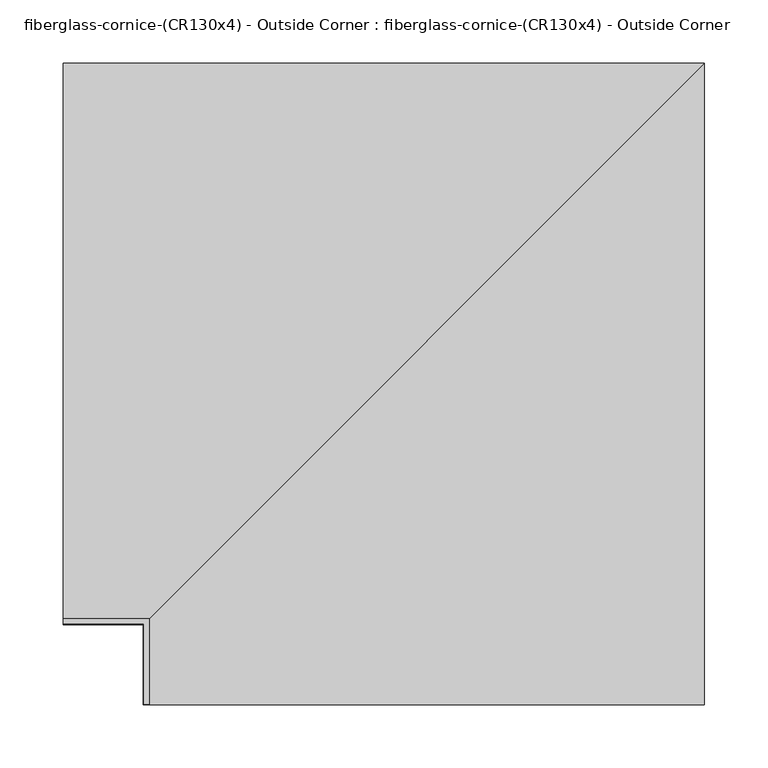
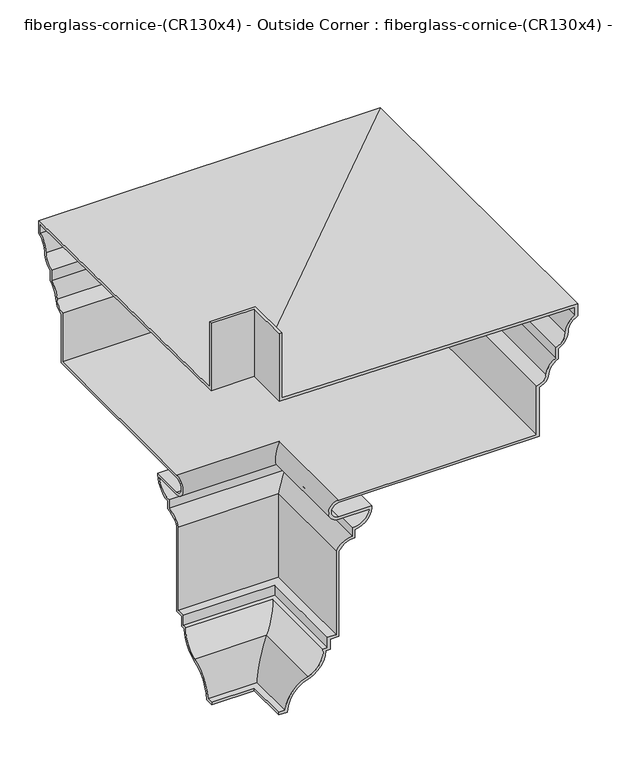
"""IFC4 building model written with IfcOpenShell, lengths in millimetres: furniture geometry, fiberglass-cornice-(CR130x4) - Outside Corner : fiberglass-cornice-(CR130x4) - Outside Corner."""

from ifc_helpers import new_model, si_unit, frame, origin, place, context, project, spatial, polyline, circle_curve, ellipse_curve, source, transform, mapped, element, save
from ifc_brep_helpers import plane_surface, cylinder_surface, revolved_surface, advanced_brep


def fiberglass_cornice_cr130x4_outside_corner_fiberglass_cornice_068e093c(model_context):
    return source(origin(), model_context, "Body", "AdvancedBrep", [
        advanced_brep(
        [(-196.9488213, 105.7275024, 330.1999904), (-196.9488213, 105.7275024, 228.5999991), (-196.9488213, 543.8774613, 222.2500183), (-196.9488213, 543.8774613, 203.1999994), (-196.9488213, 529.6672188, 183.350913), (-196.9488213, 515.3024879, 161.9250108), (-196.9488213, 515.3024879, 146.0500094), (-196.9488213, 500.8778386, 127.4585598), (-196.9488213, 486.7274848, 111.1250069), (-196.9488213, 486.7274848, 34.9250175), (-196.9488213, 189.8658461, 34.9250175), (-196.9488213, 189.8645185, 12.3564936), (-196.9488213, 239.0774575, 12.3564936), (-196.9488213, 239.0774575, 9.6389641), (-196.9488213, 213.6774746, -15.7607342), (-196.9488213, 213.6774746, -28.4607342), (-196.9488213, 189.8650018, -41.1606912), (-196.9488213, 189.8650018, -174.510736), (-196.9488213, 177.1280852, -174.510736), (-196.9488213, 177.1280852, -190.3857328), (-196.9488213, 170.7780577, -190.3857328), (-196.9488213, 145.2299147, -225.3081723), (-196.9488213, 113.6649735, -266.6999958), (-196.9488213, 100.9649721, -266.6999958), (-196.9488213, 100.9649721, -262.8010958), (-196.9488213, 110.0777458, -262.8010958), (-196.9488213, 144.0312604, -221.5980983), (-196.9488213, 166.6694049, -186.4868365), (-196.9488213, 173.2291666, -186.4868365), (-196.9488213, 173.2291666, -170.6118323), (-196.9488213, 185.9660831, -170.6118323), (-196.9488213, 185.9660831, -40.0326997), (-196.9488213, 209.778556, -24.7705052), (-196.9488213, 209.778556, -11.7644705), (-196.9488213, 235.068487, 8.457575), (-196.9488213, 189.8381696, 8.457575), (-196.9488213, 189.8374522, 38.8239063), (-196.9488213, 482.8285662, 38.8239063), (-196.9488213, 482.8285662, 114.5071158), (-196.9488213, 496.9965215, 127.8284236), (-196.9488213, 511.4035693, 148.6279828), (-196.9488213, 511.4035693, 164.5762016), (-196.9488213, 525.7718792, 183.5174989), (-196.9488213, 539.9785725, 205.7151014), (-196.9488213, 539.9785725, 218.4071876), (-196.9488213, 101.6, 224.7605132), (-196.9488213, 101.6, 330.1999904), (-129.2221002, 38.0007813, 330.1999904), (-133.3496026, 38.0007813, 330.1999904), (-133.3496026, 38.0007813, 224.7605132), (305.0289699, 38.0007813, 218.4071876), (305.0289699, 38.0007813, 205.7151014), (290.8222766, 38.0007813, 183.5174989), (276.4539667, 38.0007813, 164.5762016), (276.4539667, 38.0007813, 148.6279828), (262.0469189, 38.0007813, 127.8284236), (247.8789636, 38.0007813, 114.5071158), (247.8789636, 38.0007813, 38.8239063), (-45.1121504, 38.0007813, 38.8239063), (-45.111433, 38.0007813, 8.457575), (0.1188844, 38.0007813, 8.457575), (-25.1710466, 38.0007813, -11.7644705), (-25.1710466, 38.0007813, -24.7705052), (-48.9835195, 38.0007813, -40.0326997), (-48.9835195, 38.0007813, -170.6118323), (-61.720436, 38.0007813, -170.6118323), (-61.720436, 38.0007813, -186.4868365), (-68.2801977, 38.0007813, -186.4868365), (-90.9183422, 38.0007813, -221.5980983), (-124.8718568, 38.0007813, -262.8010958), (-133.9846305, 38.0007813, -262.8010958), (-133.9846305, 38.0007813, -266.6999958), (-121.2846291, 38.0007813, -266.6999958), (-89.7196879, 38.0007813, -225.3081723), (-64.1715449, 38.0007813, -190.3857328), (-57.8215174, 38.0007813, -190.3857328), (-57.8215174, 38.0007813, -174.510736), (-45.0846008, 38.0007813, -174.510736), (-45.0846008, 38.0007813, -41.1606912), (-21.272128, 38.0007813, -28.4607342), (-21.272128, 38.0007813, -15.7607342), (4.1278549, 38.0007813, 9.6389641), (4.1278549, 38.0007813, 12.3564936), (-45.0850841, 38.0007813, 12.3564936), (-45.0837565, 38.0007813, 34.9250175), (251.7778822, 38.0007813, 34.9250175), (251.7778822, 38.0007813, 111.1250069), (265.928236, 38.0007813, 127.4585598), (280.3528853, 38.0007813, 146.0500094), (280.3528853, 38.0007813, 161.9250108), (294.7176162, 38.0007813, 183.350913), (308.9278587, 38.0007813, 203.1999994), (308.9278587, 38.0007813, 222.2500183), (-129.2221002, 38.0007813, 228.5999991), (-129.2221002, 105.7275024, 330.1999904), (-129.2221002, 105.7275024, 228.5999991), (308.9278587, 543.8774613, 222.2500183), (308.9278587, 543.8774613, 203.1999994), (294.7176162, 529.6672188, 183.350913), (280.3528853, 515.3024879, 161.9250108), (280.3528853, 515.3024879, 146.0500094), (265.928236, 500.8778386, 127.4585598), (251.7778822, 486.7274848, 111.1250069), (251.7778822, 486.7274848, 34.9250175), (-45.0837565, 189.8658461, 34.9250175), (-45.0850841, 189.8645185, 12.3564936), (4.1278549, 239.0774575, 12.3564936), (4.1278549, 239.0774575, 9.6389641), (-21.272128, 213.6774746, -15.7607342), (-21.272128, 213.6774746, -28.4607342), (-45.0846008, 189.8650018, -41.1606912), (-45.0846008, 189.8650018, -174.510736), (-57.8215174, 177.1280852, -174.510736), (-57.8215174, 177.1280852, -190.3857328), (-64.1715449, 170.7780577, -190.3857328), (-89.7196879, 145.2299147, -225.3081723), (-121.2846291, 113.6649735, -266.6999958), (-133.9846305, 100.9649721, -266.6999958), (-133.9846305, 100.9649721, -262.8010958), (-124.8718568, 110.0777458, -262.8010958), (-90.9183422, 144.0312604, -221.5980983), (-68.2801977, 166.6694049, -186.4868365), (-61.720436, 173.2291666, -186.4868365), (-61.720436, 173.2291666, -170.6118323), (-48.9835195, 185.9660831, -170.6118323), (-48.9835195, 185.9660831, -40.0326997), (-25.1710466, 209.778556, -24.7705052), (-25.1710466, 209.778556, -11.7644705), (0.1188844, 235.068487, 8.457575), (-45.111433, 189.8381696, 8.457575), (-45.1121504, 189.8374522, 38.8239063), (247.8789636, 482.8285662, 38.8239063), (247.8789636, 482.8285662, 114.5071158), (262.0469189, 496.9965215, 127.8284236), (276.4539667, 511.4035693, 148.6279828), (276.4539667, 511.4035693, 164.5762016), (290.8222766, 525.7718792, 183.5174989), (305.0289699, 539.9785725, 205.7151014), (305.0289699, 539.9785725, 218.4071876), (-133.3496026, 101.6, 224.7605132), (-133.3496026, 101.6, 330.1999904)],
        [
            (0, 1),
            (1, 2),
            (2, 3),
            (3, 4, circle_curve(frame((-196.9488213, 551.9671941, 182.3972447), z_axis=(1.0, 0.0, 0.0), x_axis=(0.0, 1.0, 0.0)), 22.320358)),
            (4, 5, circle_curve(frame((-196.9488213, 504.9277455, 184.4089075), z_axis=(-1.0, 0.0, 0.0), x_axis=(0.0, 1.0, 0.0)), 24.7620858)),
            (5, 6),
            (6, 7, circle_curve(frame((-196.9488213, 522.7585058, 125.3734777), z_axis=(1.0, 0.0, 0.0), x_axis=(0.0, 1.0, 0.0)), 21.9797899)),
            (7, 8, circle_curve(frame((-196.9488213, 482.336386, 129.225437), z_axis=(-1.0, 0.0, 0.0), x_axis=(0.0, 1.0, 0.0)), 18.6254482)),
            (8, 9),
            (9, 10),
            (10, 11, circle_curve(frame((-196.9488213, 190.0380596, 23.6407454), z_axis=(1.0, 0.0, 0.0), x_axis=(0.0, 1.0, 0.0)), 11.2855861)),
            (11, 12),
            (12, 13),
            (13, 14, circle_curve(frame((-196.9488213, 212.2617322, 11.055007), z_axis=(-1.0, 0.0, 0.0), x_axis=(0.0, 1.0, 0.0)), 26.8530874)),
            (14, 15),
            (15, 16, circle_curve(frame((-196.9488213, 213.4432156, -56.6957195), z_axis=(1.0, 0.0, 0.0), x_axis=(0.0, 1.0, 0.0)), 28.2359571)),
            (16, 17),
            (17, 18),
            (18, 19),
            (19, 20),
            (20, 21, circle_curve(frame((-196.9488213, 133.8887534, -190.2050173), z_axis=(-1.0, 0.0, 0.0), x_axis=(0.0, 1.0, 0.0)), 36.889747)),
            (21, 22, circle_curve(frame((-196.9488213, 159.2620244, -268.7403492), z_axis=(1.0, 0.0, 0.0), x_axis=(0.0, 1.0, 0.0)), 45.6426784)),
            (22, 23),
            (23, 24),
            (24, 25),
            (25, 26, circle_curve(frame((-196.9488213, 159.2620244, -268.7403492), z_axis=(-1.0, 0.0, 0.0), x_axis=(0.0, 1.0, 0.0)), 49.5415784)),
            (26, 27, circle_curve(frame((-196.9488213, 133.8887534, -190.2050173), z_axis=(1.0, 0.0, 0.0), x_axis=(0.0, 1.0, 0.0)), 32.990847)),
            (27, 28),
            (28, 29),
            (29, 30),
            (30, 31),
            (31, 32, circle_curve(frame((-196.9488213, 213.4432156, -56.6957195), z_axis=(-1.0, 0.0, 0.0), x_axis=(0.0, 1.0, 0.0)), 32.1348571)),
            (32, 33),
            (33, 34, circle_curve(frame((-196.9488213, 212.2617322, 11.055007), z_axis=(1.0, 0.0, 0.0), x_axis=(0.0, 1.0, 0.0)), 22.9541874)),
            (34, 35),
            (35, 36, circle_curve(frame((-196.9488213, 190.0380596, 23.6407454), z_axis=(-1.0, 0.0, 0.0), x_axis=(0.0, 1.0, 0.0)), 15.1844861)),
            (36, 37),
            (37, 38),
            (38, 39, circle_curve(frame((-196.9488213, 482.336386, 129.225437), z_axis=(1.0, 0.0, 0.0), x_axis=(0.0, 1.0, 0.0)), 14.7265482)),
            (39, 40, circle_curve(frame((-196.9488213, 522.7585058, 125.3734777), z_axis=(-1.0, 0.0, 0.0), x_axis=(0.0, 1.0, 0.0)), 25.8786899)),
            (40, 41),
            (41, 42, circle_curve(frame((-196.9488213, 504.9277455, 184.4089075), z_axis=(1.0, 0.0, 0.0), x_axis=(0.0, 1.0, 0.0)), 20.8631858)),
            (42, 43, circle_curve(frame((-196.9488213, 551.9671941, 182.3972447), z_axis=(-1.0, 0.0, 0.0), x_axis=(0.0, 1.0, 0.0)), 26.219258)),
            (43, 44),
            (44, 45),
            (45, 46),
            (46, 0),
            (47, 48),
            (48, 49),
            (49, 50),
            (50, 51),
            (51, 52, circle_curve(frame((317.0175915, 38.0007813, 182.3972447), z_axis=(0.0, -1.0, 0.0), x_axis=(1.0, 0.0, 0.0)), 26.219258)),
            (52, 53, circle_curve(frame((269.9781429, 38.0007813, 184.4089075), z_axis=(0.0, 1.0, 0.0), x_axis=(1.0, 0.0, 0.0)), 20.8631858)),
            (53, 54),
            (54, 55, circle_curve(frame((287.8089032, 38.0007813, 125.3734777), z_axis=(0.0, -1.0, 0.0), x_axis=(1.0, 0.0, 0.0)), 25.8786899)),
            (55, 56, circle_curve(frame((247.3867834, 38.0007813, 129.225437), z_axis=(0.0, 1.0, 0.0), x_axis=(1.0, 0.0, 0.0)), 14.7265482)),
            (56, 57),
            (57, 58),
            (58, 59, circle_curve(frame((-44.911543, 38.0007813, 23.6407454), z_axis=(0.0, -1.0, 0.0), x_axis=(1.0, 0.0, 0.0)), 15.1844861)),
            (59, 60),
            (60, 61, circle_curve(frame((-22.6878704, 38.0007813, 11.055007), z_axis=(0.0, 1.0, 0.0), x_axis=(1.0, 0.0, 0.0)), 22.9541874)),
            (61, 62),
            (62, 63, circle_curve(frame((-21.506387, 38.0007813, -56.6957195), z_axis=(0.0, -1.0, 0.0), x_axis=(1.0, 0.0, 0.0)), 32.1348571)),
            (63, 64),
            (64, 65),
            (65, 66),
            (66, 67),
            (67, 68, circle_curve(frame((-101.0608492, 38.0007813, -190.2050173), z_axis=(0.0, 1.0, 0.0), x_axis=(1.0, 0.0, 0.0)), 32.990847)),
            (68, 69, circle_curve(frame((-75.6875782, 38.0007813, -268.7403492), z_axis=(0.0, -1.0, 0.0), x_axis=(1.0, 0.0, 0.0)), 49.5415784)),
            (69, 70),
            (70, 71),
            (71, 72),
            (72, 73, circle_curve(frame((-75.6875782, 38.0007813, -268.7403492), z_axis=(0.0, 1.0, 0.0), x_axis=(1.0, 0.0, 0.0)), 45.6426784)),
            (73, 74, circle_curve(frame((-101.0608492, 38.0007813, -190.2050173), z_axis=(0.0, -1.0, 0.0), x_axis=(1.0, 0.0, 0.0)), 36.889747)),
            (74, 75),
            (75, 76),
            (76, 77),
            (77, 78),
            (78, 79, circle_curve(frame((-21.506387, 38.0007813, -56.6957195), z_axis=(0.0, 1.0, 0.0), x_axis=(1.0, 0.0, 0.0)), 28.2359571)),
            (79, 80),
            (80, 81, circle_curve(frame((-22.6878704, 38.0007813, 11.055007), z_axis=(0.0, -1.0, 0.0), x_axis=(1.0, 0.0, 0.0)), 26.8530874)),
            (81, 82),
            (82, 83),
            (83, 84, circle_curve(frame((-44.911543, 38.0007813, 23.6407454), z_axis=(0.0, 1.0, 0.0), x_axis=(1.0, 0.0, 0.0)), 11.2855861)),
            (84, 85),
            (85, 86),
            (86, 87, circle_curve(frame((247.3867834, 38.0007813, 129.225437), z_axis=(0.0, -1.0, 0.0), x_axis=(1.0, 0.0, 0.0)), 18.6254482)),
            (87, 88, circle_curve(frame((287.8089032, 38.0007813, 125.3734777), z_axis=(0.0, 1.0, 0.0), x_axis=(1.0, 0.0, 0.0)), 21.9797899)),
            (88, 89),
            (89, 90, circle_curve(frame((269.9781429, 38.0007813, 184.4089075), z_axis=(0.0, -1.0, 0.0), x_axis=(1.0, 0.0, 0.0)), 24.7620858)),
            (90, 91, circle_curve(frame((317.0175915, 38.0007813, 182.3972447), z_axis=(0.0, 1.0, 0.0), x_axis=(1.0, 0.0, 0.0)), 22.320358)),
            (91, 92),
            (92, 93),
            (93, 47),
            (0, 94),
            (94, 95),
            (95, 1),
            (95, 96),
            (96, 2),
            (96, 97),
            (97, 3),
            (97, 98, ellipse_curve(frame((317.0175915, 551.9671941, 182.3972447), z_axis=(0.7071067811865563, -0.7071067811865387, 0.0), x_axis=(0.7071067811865387, 0.7071067811865565, 0.0)), 31.565753, 22.320358)),
            (98, 4),
            (98, 99, ellipse_curve(frame((269.9781429, 504.9277455, 184.4089075), z_axis=(-0.7071067811865563, 0.7071067811865387, 0.0), x_axis=(-0.7071067811865387, -0.7071067811865565, 0.0)), 35.0188775, 24.7620858)),
            (99, 5),
            (99, 100),
            (100, 6),
            (100, 101, ellipse_curve(frame((287.8089032, 522.7585058, 125.3734777), z_axis=(0.7071067811865563, -0.7071067811865387, 0.0), x_axis=(0.7071067811865387, 0.7071067811865565, 0.0)), 31.084117, 21.9797899)),
            (101, 7),
            (101, 102, ellipse_curve(frame((247.3867834, 482.336386, 129.225437), z_axis=(-0.7071067811865563, 0.7071067811865387, 0.0), x_axis=(-0.7071067811865387, -0.7071067811865565, 0.0)), 26.3403614, 18.6254482)),
            (102, 8),
            (102, 103),
            (103, 9),
            (103, 85),
            (84, 104),
            (104, 10),
            (104, 105, ellipse_curve(frame((-44.911543, 190.0380596, 23.6407454), z_axis=(0.7071067811865563, -0.7071067811865387, 0.0), x_axis=(0.7071067811865387, 0.7071067811865565, 0.0)), 15.960229, 11.2855861)),
            (105, 11),
            (105, 83),
            (82, 106),
            (106, 12),
            (106, 107),
            (107, 13),
            (107, 108, ellipse_curve(frame((-22.6878704, 212.2617322, 11.055007), z_axis=(-0.7071067811865563, 0.7071067811865387, 0.0), x_axis=(-0.7071067811865387, -0.7071067811865565, 0.0)), 37.9760004, 26.8530874)),
            (108, 14),
            (108, 109),
            (109, 15),
            (109, 110, ellipse_curve(frame((-21.506387, 213.4432156, -56.6957195), z_axis=(0.7071067811865563, -0.7071067811865387, 0.0), x_axis=(0.7071067811865387, 0.7071067811865565, 0.0)), 39.9316734, 28.2359571)),
            (110, 16),
            (110, 111),
            (111, 17),
            (111, 77),
            (76, 112),
            (112, 18),
            (112, 113),
            (113, 19),
            (113, 75),
            (74, 114),
            (114, 20),
            (114, 115, ellipse_curve(frame((-101.0608492, 133.8887534, -190.2050173), z_axis=(-0.7071067811865563, 0.7071067811865387, 0.0), x_axis=(-0.7071067811865387, -0.7071067811865565, 0.0)), 52.1699805, 36.889747)),
            (115, 21),
            (115, 116, ellipse_curve(frame((-75.6875782, 159.2620244, -268.7403492), z_axis=(0.7071067811865563, -0.7071067811865387, 0.0), x_axis=(0.7071067811865387, 0.7071067811865565, 0.0)), 64.5484949, 45.6426784)),
            (116, 22),
            (116, 72),
            (71, 117),
            (117, 23),
            (117, 118),
            (118, 24),
            (118, 70),
            (69, 119),
            (119, 25),
            (119, 120, ellipse_curve(frame((-75.6875782, 159.2620244, -268.7403492), z_axis=(-0.7071067811865563, 0.7071067811865387, 0.0), x_axis=(-0.7071067811865387, -0.7071067811865565, 0.0)), 70.0623721, 49.5415784)),
            (120, 26),
            (120, 121, ellipse_curve(frame((-101.0608492, 133.8887534, -190.2050173), z_axis=(0.7071067811865563, -0.7071067811865387, 0.0), x_axis=(0.7071067811865387, 0.7071067811865565, 0.0)), 46.6561032, 32.990847)),
            (121, 27),
            (121, 67),
            (66, 122),
            (122, 28),
            (122, 123),
            (123, 29),
            (123, 65),
            (64, 124),
            (124, 30),
            (124, 125),
            (125, 31),
            (125, 126, ellipse_curve(frame((-21.506387, 213.4432156, -56.6957195), z_axis=(-0.7071067811865563, 0.7071067811865387, 0.0), x_axis=(-0.7071067811865387, -0.7071067811865565, 0.0)), 45.4455507, 32.1348571)),
            (126, 32),
            (126, 127),
            (127, 33),
            (127, 128, ellipse_curve(frame((-22.6878704, 212.2617322, 11.055007), z_axis=(0.7071067811865563, -0.7071067811865387, 0.0), x_axis=(0.7071067811865387, 0.7071067811865565, 0.0)), 32.4621231, 22.9541874)),
            (128, 34),
            (128, 60),
            (59, 129),
            (129, 35),
            (129, 130, ellipse_curve(frame((-44.911543, 190.0380596, 23.6407454), z_axis=(-0.7071067811865563, 0.7071067811865387, 0.0), x_axis=(-0.7071067811865387, -0.7071067811865565, 0.0)), 21.4741062, 15.1844861)),
            (130, 36),
            (130, 58),
            (57, 131),
            (131, 37),
            (131, 132),
            (132, 38),
            (132, 133, ellipse_curve(frame((247.3867834, 482.336386, 129.225437), z_axis=(0.7071067811865563, -0.7071067811865387, 0.0), x_axis=(0.7071067811865387, 0.7071067811865565, 0.0)), 20.8264842, 14.7265482)),
            (133, 39),
            (133, 134, ellipse_curve(frame((287.8089032, 522.7585058, 125.3734777), z_axis=(-0.7071067811865563, 0.7071067811865387, 0.0), x_axis=(-0.7071067811865387, -0.7071067811865565, 0.0)), 36.5979942, 25.8786899)),
            (134, 40),
            (134, 135),
            (135, 41),
            (135, 136, ellipse_curve(frame((269.9781429, 504.9277455, 184.4089075), z_axis=(0.7071067811865563, -0.7071067811865387, 0.0), x_axis=(0.7071067811865387, 0.7071067811865565, 0.0)), 29.5050003, 20.8631858)),
            (136, 42),
            (136, 137, ellipse_curve(frame((317.0175915, 551.9671941, 182.3972447), z_axis=(-0.7071067811865563, 0.7071067811865387, 0.0), x_axis=(-0.7071067811865387, -0.7071067811865565, 0.0)), 37.0796303, 26.219258)),
            (137, 43),
            (137, 138),
            (138, 44),
            (138, 139),
            (139, 45),
            (139, 140),
            (140, 46),
            (140, 48),
            (47, 94),
            (93, 95),
            (92, 96),
            (91, 97),
            (90, 98),
            (89, 99),
            (88, 100),
            (87, 101),
            (86, 102),
            (81, 107),
            (80, 108),
            (79, 109),
            (78, 110),
            (73, 115),
            (68, 120),
            (63, 125),
            (62, 126),
            (61, 127),
            (56, 132),
            (55, 133),
            (54, 134),
            (53, 135),
            (52, 136),
            (51, 137),
            (50, 138),
            (49, 139),
        ],
        [
            plane_surface(frame((-196.9488213, 101.6, 330.1999904), z_axis=(-1.0, 0.0, 0.0), x_axis=(0.0, 0.0, 1.0))),
            plane_surface(frame((-133.3496026, 38.0007813, 330.1999904), z_axis=(0.0, -1.0, 0.0), x_axis=(0.0, 0.0, 1.0))),
            plane_surface(frame((-196.9488213, 105.7275024, 330.1999904), z_axis=(0.0, 1.0, 0.0), x_axis=(1.0, 0.0, 0.0))),
            plane_surface(frame((-196.9488213, 105.7275024, 228.5999991), z_axis=(0.0, 0.014491189459579074, 0.9998949972012294), x_axis=(1.0, 0.0, 0.0))),
            plane_surface(frame((-196.9488213, 543.8774613, 222.2500183), z_axis=(0.0, 1.0, 0.0), x_axis=(1.0, 0.0, 0.0))),
            revolved_surface(polyline([(339.3379494995593, 574.2875521000001, 182.3972447), (-196.9488213, 574.2875521000001, 182.3972447)]), (-196.9488213, 551.9671941, 182.3972447), (1.0, 0.0, 0.0)),
            cylinder_surface(frame((-196.9488213, 504.9277455, 184.4089075), z_axis=(-1.0, 0.0, 0.0), x_axis=(0.0, 1.0, 0.0)), 24.7620858),
            plane_surface(frame((-196.9488213, 515.3024879, 161.9250108), z_axis=(0.0, 1.0, 0.0), x_axis=(1.0, 0.0, 0.0))),
            revolved_surface(polyline([(309.7886931178957, 544.7382957, 125.3734777), (-196.9488213, 544.7382957, 125.3734777)]), (-196.9488213, 522.7585058, 125.3734777), (1.0, 0.0, 0.0)),
            cylinder_surface(frame((-196.9488213, 482.336386, 129.225437), z_axis=(-1.0, 0.0, 0.0), x_axis=(0.0, 1.0, 0.0)), 18.6254482),
            plane_surface(frame((-196.9488213, 486.7274848, 111.1250069), z_axis=(0.0, 1.0, 0.0), x_axis=(1.0, 0.0, 0.0))),
            plane_surface(frame((-196.9488213, 486.7274848, 34.9250175), z_axis=(0.0, 0.0, -1.0), x_axis=(1.0, 0.0, 0.0))),
            revolved_surface(polyline([(-33.625956844809934, 201.3236457, 23.6407454), (-196.9488213, 201.3236457, 23.6407454)]), (-196.9488213, 190.0380596, 23.6407454), (1.0, 0.0, 0.0)),
            plane_surface(frame((-196.9488213, 189.8645185, 12.3564936), z_axis=(0.0, 0.0, 1.0), x_axis=(1.0, 0.0, 0.0))),
            plane_surface(frame((-196.9488213, 239.0774575, 12.3564936), z_axis=(0.0, 1.0, 0.0), x_axis=(1.0, 0.0, 0.0))),
            cylinder_surface(frame((-196.9488213, 212.2617322, 11.055007), z_axis=(-1.0, 0.0, 0.0), x_axis=(0.0, 1.0, 0.0)), 26.8530874),
            plane_surface(frame((-196.9488213, 213.6774746, -15.7607342), z_axis=(0.0, 1.0, 0.0), x_axis=(1.0, 0.0, 0.0))),
            revolved_surface(polyline([(6.7295700452661436, 241.6791727, -56.6957195), (-196.9488213, 241.6791727, -56.6957195)]), (-196.9488213, 213.4432156, -56.6957195), (1.0, 0.0, 0.0)),
            plane_surface(frame((-196.9488213, 189.8650018, -41.1606912), z_axis=(0.0, 1.0, 0.0), x_axis=(1.0, 0.0, 0.0))),
            plane_surface(frame((-196.9488213, 189.8650018, -174.510736), z_axis=(0.0, 0.0, -1.0), x_axis=(1.0, 0.0, 0.0))),
            plane_surface(frame((-196.9488213, 177.1280852, -174.510736), z_axis=(0.0, 1.0, 0.0), x_axis=(1.0, 0.0, 0.0))),
            plane_surface(frame((-196.9488213, 177.1280852, -190.3857328), z_axis=(0.0, 0.0, -1.0), x_axis=(1.0, 0.0, 0.0))),
            cylinder_surface(frame((-196.9488213, 133.8887534, -190.2050173), z_axis=(-1.0, 0.0, 0.0), x_axis=(0.0, 1.0, 0.0)), 36.889747),
            revolved_surface(polyline([(-30.044899740825286, 204.9047028, -268.7403492), (-196.9488213, 204.9047028, -268.7403492)]), (-196.9488213, 159.2620244, -268.7403492), (1.0, 0.0, 0.0)),
            plane_surface(frame((-196.9488213, 113.6649735, -266.6999958), z_axis=(0.0, 0.0, -1.0), x_axis=(1.0, 0.0, 0.0))),
            plane_surface(frame((-196.9488213, 100.9649721, -266.6999958), z_axis=(0.0, -1.0, 0.0), x_axis=(1.0, 0.0, 0.0))),
            plane_surface(frame((-196.9488213, 100.9649721, -262.8010958), z_axis=(0.0, 0.0, 1.0), x_axis=(1.0, 0.0, 0.0))),
            cylinder_surface(frame((-196.9488213, 159.2620244, -268.7403492), z_axis=(-1.0, 0.0, 0.0), x_axis=(0.0, 1.0, 0.0)), 49.5415784),
            revolved_surface(polyline([(-68.07000224354104, 166.87960040000002, -190.2050173), (-196.9488213, 166.87960040000002, -190.2050173)]), (-196.9488213, 133.8887534, -190.2050173), (1.0, 0.0, 0.0)),
            plane_surface(frame((-196.9488213, 166.6694049, -186.4868365), z_axis=(0.0, 0.0, 1.0), x_axis=(1.0, 0.0, 0.0))),
            plane_surface(frame((-196.9488213, 173.2291666, -186.4868365), z_axis=(0.0, -1.0, 0.0), x_axis=(1.0, 0.0, 0.0))),
            plane_surface(frame((-196.9488213, 173.2291666, -170.6118323), z_axis=(0.0, 0.0, 1.0), x_axis=(1.0, 0.0, 0.0))),
            plane_surface(frame((-196.9488213, 185.9660831, -170.6118323), z_axis=(0.0, -1.0, 0.0), x_axis=(1.0, 0.0, 0.0))),
            cylinder_surface(frame((-196.9488213, 213.4432156, -56.6957195), z_axis=(-1.0, 0.0, 0.0), x_axis=(0.0, 1.0, 0.0)), 32.1348571),
            plane_surface(frame((-196.9488213, 209.778556, -24.7705052), z_axis=(0.0, -1.0, 0.0), x_axis=(1.0, 0.0, 0.0))),
            revolved_surface(polyline([(0.2663169757221624, 235.2159196, 11.055007), (-196.9488213, 235.2159196, 11.055007)]), (-196.9488213, 212.2617322, 11.055007), (1.0, 0.0, 0.0)),
            plane_surface(frame((-196.9488213, 235.068487, 8.457575), z_axis=(0.0, 0.0, -1.0), x_axis=(1.0, 0.0, 0.0))),
            cylinder_surface(frame((-196.9488213, 190.0380596, 23.6407454), z_axis=(-1.0, 0.0, 0.0), x_axis=(0.0, 1.0, 0.0)), 15.1844861),
            plane_surface(frame((-196.9488213, 189.8374522, 38.8239063), z_axis=(0.0, 0.0, 1.0), x_axis=(1.0, 0.0, 0.0))),
            plane_surface(frame((-196.9488213, 482.8285662, 38.8239063), z_axis=(0.0, -1.0, 0.0), x_axis=(1.0, 0.0, 0.0))),
            revolved_surface(polyline([(262.11333160609433, 497.06293420000003, 129.225437), (-196.9488213, 497.06293420000003, 129.225437)]), (-196.9488213, 482.336386, 129.225437), (1.0, 0.0, 0.0)),
            cylinder_surface(frame((-196.9488213, 522.7585058, 125.3734777), z_axis=(-1.0, 0.0, 0.0), x_axis=(0.0, 1.0, 0.0)), 25.8786899),
            plane_surface(frame((-196.9488213, 511.4035693, 148.6279828), z_axis=(0.0, -1.0, 0.0), x_axis=(1.0, 0.0, 0.0))),
            revolved_surface(polyline([(290.84132869104087, 525.7909313, 184.4089075), (-196.9488213, 525.7909313, 184.4089075)]), (-196.9488213, 504.9277455, 184.4089075), (1.0, 0.0, 0.0)),
            cylinder_surface(frame((-196.9488213, 551.9671941, 182.3972447), z_axis=(-1.0, 0.0, 0.0), x_axis=(0.0, 1.0, 0.0)), 26.219258),
            plane_surface(frame((-196.9488213, 539.9785725, 205.7151014), z_axis=(0.0, -1.0, 0.0), x_axis=(1.0, 0.0, 0.0))),
            plane_surface(frame((-196.9488213, 539.9785725, 218.4071876), z_axis=(0.0, -0.014491261378739032, -0.9998949961589233), x_axis=(1.0, 0.0, 0.0))),
            plane_surface(frame((-196.9488213, 101.6, 224.7605132), z_axis=(0.0, -1.0, 0.0), x_axis=(1.0, 0.0, 0.0))),
            plane_surface(frame((-196.9488213, 101.6, 330.1999904), z_axis=(0.0, 0.0, 1.0), x_axis=(1.0, 0.0, 0.0))),
            plane_surface(frame((-129.2221002, 105.7275024, 330.1999904), z_axis=(1.0, 0.0, 0.0), x_axis=(0.0, -1.0, 0.0))),
            plane_surface(frame((-129.2221002, 105.7275024, 228.5999991), z_axis=(0.014491189459579076, 0.0, 0.9998949972012294), x_axis=(0.0, -1.0, 0.0))),
            plane_surface(frame((308.9278587, 543.8774613, 222.2500183), z_axis=(1.0, 0.0, 0.0), x_axis=(0.0, -1.0, 0.0))),
            revolved_surface(polyline([(339.3379495, 38.0007813, 182.3972447), (339.3379495, 574.2875520995599, 182.3972447)]), (317.0175915, 101.6, 182.3972447), (0.0, -1.0, 0.0)),
            cylinder_surface(frame((269.9781429, 101.6, 184.4089075), z_axis=(0.0, 1.0, 0.0), x_axis=(1.0, 0.0, 0.0)), 24.7620858),
            plane_surface(frame((280.3528853, 515.3024879, 161.9250108), z_axis=(1.0, 0.0, 0.0), x_axis=(0.0, -1.0, 0.0))),
            revolved_surface(polyline([(309.7886931, 38.0007813, 125.3734777), (309.7886931, 544.7382957178962, 125.3734777)]), (287.8089032, 101.6, 125.3734777), (0.0, -1.0, 0.0)),
            cylinder_surface(frame((247.3867834, 101.6, 129.225437), z_axis=(0.0, 1.0, 0.0), x_axis=(1.0, 0.0, 0.0)), 18.6254482),
            plane_surface(frame((251.7778822, 486.7274848, 111.1250069), z_axis=(1.0, 0.0, 0.0), x_axis=(0.0, -1.0, 0.0))),
            revolved_surface(polyline([(-33.625956900000006, 38.0007813, 23.6407454), (-33.625956900000006, 201.32364575519034, 23.6407454)]), (-44.911543, 101.6, 23.6407454), (0.0, -1.0, 0.0)),
            plane_surface(frame((4.1278549, 239.0774575, 12.3564936), z_axis=(1.0, 0.0, 0.0), x_axis=(0.0, -1.0, 0.0))),
            cylinder_surface(frame((-22.6878704, 101.6, 11.055007), z_axis=(0.0, 1.0, 0.0), x_axis=(1.0, 0.0, 0.0)), 26.8530874),
            plane_surface(frame((-21.272128, 213.6774746, -15.7607342), z_axis=(1.0, 0.0, 0.0), x_axis=(0.0, -1.0, 0.0))),
            revolved_surface(polyline([(6.7295701, 38.0007813, -56.6957195), (6.7295701, 241.67917264526685, -56.6957195)]), (-21.506387, 101.6, -56.6957195), (0.0, -1.0, 0.0)),
            plane_surface(frame((-45.0846008, 189.8650018, -41.1606912), z_axis=(1.0, 0.0, 0.0), x_axis=(0.0, -1.0, 0.0))),
            plane_surface(frame((-57.8215174, 177.1280852, -174.510736), z_axis=(1.0, 0.0, 0.0), x_axis=(0.0, -1.0, 0.0))),
            cylinder_surface(frame((-101.0608492, 101.6, -190.2050173), z_axis=(0.0, 1.0, 0.0), x_axis=(1.0, 0.0, 0.0)), 36.889747),
            revolved_surface(polyline([(-30.044899800000003, 38.0007813, -268.7403492), (-30.044899800000003, 204.90470285917587, -268.7403492)]), (-75.6875782, 101.6, -268.7403492), (0.0, -1.0, 0.0)),
            plane_surface(frame((-133.9846305, 100.9649721, -266.6999958), z_axis=(-1.0, 0.0, 0.0), x_axis=(0.0, -1.0, 0.0))),
            cylinder_surface(frame((-75.6875782, 101.6, -268.7403492), z_axis=(0.0, 1.0, 0.0), x_axis=(1.0, 0.0, 0.0)), 49.5415784),
            revolved_surface(polyline([(-68.0700022, 38.0007813, -190.2050173), (-68.0700022, 166.8796003564598, -190.2050173)]), (-101.0608492, 101.6, -190.2050173), (0.0, -1.0, 0.0)),
            plane_surface(frame((-61.720436, 173.2291666, -186.4868365), z_axis=(-1.0, 0.0, 0.0), x_axis=(0.0, -1.0, 0.0))),
            plane_surface(frame((-48.9835195, 185.9660831, -170.6118323), z_axis=(-1.0, 0.0, 0.0), x_axis=(0.0, -1.0, 0.0))),
            cylinder_surface(frame((-21.506387, 101.6, -56.6957195), z_axis=(0.0, 1.0, 0.0), x_axis=(1.0, 0.0, 0.0)), 32.1348571),
            plane_surface(frame((-25.1710466, 209.778556, -24.7705052), z_axis=(-1.0, 0.0, 0.0), x_axis=(0.0, -1.0, 0.0))),
            revolved_surface(polyline([(0.26631699999999725, 38.0007813, 11.055007), (0.26631699999999725, 235.21591957572278, 11.055007)]), (-22.6878704, 101.6, 11.055007), (0.0, -1.0, 0.0)),
            cylinder_surface(frame((-44.911543, 101.6, 23.6407454), z_axis=(0.0, 1.0, 0.0), x_axis=(1.0, 0.0, 0.0)), 15.1844861),
            plane_surface(frame((247.8789636, 482.8285662, 38.8239063), z_axis=(-1.0, 0.0, 0.0), x_axis=(0.0, -1.0, 0.0))),
            revolved_surface(polyline([(262.11333160000004, 38.0007813, 129.225437), (262.11333160000004, 497.0629342060947, 129.225437)]), (247.3867834, 101.6, 129.225437), (0.0, -1.0, 0.0)),
            cylinder_surface(frame((287.8089032, 101.6, 125.3734777), z_axis=(0.0, 1.0, 0.0), x_axis=(1.0, 0.0, 0.0)), 25.8786899),
            plane_surface(frame((276.4539667, 511.4035693, 148.6279828), z_axis=(-1.0, 0.0, 0.0), x_axis=(0.0, -1.0, 0.0))),
            revolved_surface(polyline([(290.8413287, 38.0007813, 184.4089075), (290.8413287, 525.7909312910414, 184.4089075)]), (269.9781429, 101.6, 184.4089075), (0.0, -1.0, 0.0)),
            cylinder_surface(frame((317.0175915, 101.6, 182.3972447), z_axis=(0.0, 1.0, 0.0), x_axis=(1.0, 0.0, 0.0)), 26.219258),
            plane_surface(frame((305.0289699, 539.9785725, 205.7151014), z_axis=(-1.0, 0.0, 0.0), x_axis=(0.0, -1.0, 0.0))),
            plane_surface(frame((305.0289699, 539.9785725, 218.4071876), z_axis=(-0.014491261378739033, 0.0, -0.9998949961589233), x_axis=(0.0, -1.0, 0.0))),
            plane_surface(frame((-133.3496026, 101.6, 224.7605132), z_axis=(-1.0, 0.0, 0.0), x_axis=(0.0, -1.0, 0.0))),
        ],
        [
            (0, [[1, 2, 3, 4, 5, 6, 7, 8, 9, 10, 11, 12, 13, 14, 15, 16, 17, 18, 19, 20, 21, 22, 23, 24, 25, 26, 27, 28, 29, 30, 31, 32, 33, 34, 35, 36, 37, 38, 39, 40, 41, 42, 43, 44, 45, 46, 47]]),
            (1, [[48, 49, 50, 51, 52, 53, 54, 55, 56, 57, 58, 59, 60, 61, 62, 63, 64, 65, 66, 67, 68, 69, 70, 71, 72, 73, 74, 75, 76, 77, 78, 79, 80, 81, 82, 83, 84, 85, 86, 87, 88, 89, 90, 91, 92, 93, 94]]),
            (2, [[-1, 95, 96, 97]]),
            (3, [[-2, -97, 98, 99]]),
            (4, [[-3, -99, 100, 101]]),
            (5, [[-4, -101, 102, 103]]),
            (6, [[-5, -103, 104, 105]]),
            (7, [[-6, -105, 106, 107]]),
            (8, [[-7, -107, 108, 109]]),
            (9, [[-8, -109, 110, 111]]),
            (10, [[-9, -111, 112, 113]]),
            (11, [[-10, -113, 114, -85, 115, 116]]),
            (12, [[-11, -116, 117, 118]]),
            (13, [[-12, -118, 119, -83, 120, 121]]),
            (14, [[-13, -121, 122, 123]]),
            (15, [[-14, -123, 124, 125]]),
            (16, [[-15, -125, 126, 127]]),
            (17, [[-16, -127, 128, 129]]),
            (18, [[-17, -129, 130, 131]]),
            (19, [[-18, -131, 132, -77, 133, 134]]),
            (20, [[-19, -134, 135, 136]]),
            (21, [[-20, -136, 137, -75, 138, 139]]),
            (22, [[-21, -139, 140, 141]]),
            (23, [[-22, -141, 142, 143]]),
            (24, [[-23, -143, 144, -72, 145, 146]]),
            (25, [[-24, -146, 147, 148]]),
            (26, [[-25, -148, 149, -70, 150, 151]]),
            (27, [[-26, -151, 152, 153]]),
            (28, [[-27, -153, 154, 155]]),
            (29, [[-28, -155, 156, -67, 157, 158]]),
            (30, [[-29, -158, 159, 160]]),
            (31, [[-30, -160, 161, -65, 162, 163]]),
            (32, [[-31, -163, 164, 165]]),
            (33, [[-32, -165, 166, 167]]),
            (34, [[-33, -167, 168, 169]]),
            (35, [[-34, -169, 170, 171]]),
            (36, [[-35, -171, 172, -60, 173, 174]]),
            (37, [[-36, -174, 175, 176]]),
            (38, [[-37, -176, 177, -58, 178, 179]]),
            (39, [[-38, -179, 180, 181]]),
            (40, [[-39, -181, 182, 183]]),
            (41, [[-40, -183, 184, 185]]),
            (42, [[-41, -185, 186, 187]]),
            (43, [[-42, -187, 188, 189]]),
            (44, [[-43, -189, 190, 191]]),
            (45, [[-44, -191, 192, 193]]),
            (46, [[-45, -193, 194, 195]]),
            (47, [[-46, -195, 196, 197]]),
            (48, [[-47, -197, 198, -48, 199, -95]]),
            (49, [[-96, -199, -94, 200]]),
            (50, [[-98, -200, -93, 201]]),
            (51, [[-100, -201, -92, 202]]),
            (52, [[-102, -202, -91, 203]]),
            (53, [[-104, -203, -90, 204]]),
            (54, [[-106, -204, -89, 205]]),
            (55, [[-108, -205, -88, 206]]),
            (56, [[-110, -206, -87, 207]]),
            (57, [[-112, -207, -86, -114]]),
            (58, [[-117, -115, -84, -119]]),
            (59, [[-122, -120, -82, 208]]),
            (60, [[-124, -208, -81, 209]]),
            (61, [[-126, -209, -80, 210]]),
            (62, [[-128, -210, -79, 211]]),
            (63, [[-130, -211, -78, -132]]),
            (64, [[-135, -133, -76, -137]]),
            (65, [[-140, -138, -74, 212]]),
            (66, [[-142, -212, -73, -144]]),
            (67, [[-147, -145, -71, -149]]),
            (68, [[-152, -150, -69, 213]]),
            (69, [[-154, -213, -68, -156]]),
            (70, [[-159, -157, -66, -161]]),
            (71, [[-164, -162, -64, 214]]),
            (72, [[-166, -214, -63, 215]]),
            (73, [[-168, -215, -62, 216]]),
            (74, [[-170, -216, -61, -172]]),
            (75, [[-175, -173, -59, -177]]),
            (76, [[-180, -178, -57, 217]]),
            (77, [[-182, -217, -56, 218]]),
            (78, [[-184, -218, -55, 219]]),
            (79, [[-186, -219, -54, 220]]),
            (80, [[-188, -220, -53, 221]]),
            (81, [[-190, -221, -52, 222]]),
            (82, [[-192, -222, -51, 223]]),
            (83, [[-194, -223, -50, 224]]),
            (84, [[-196, -224, -49, -198]]),
        ],
    ),
    ])


if __name__ == "__main__":
    model = new_model("IFC4")
    model_context = context("Model", 3, world=origin())
    ifc_project = project(units=[si_unit("LENGTHUNIT", "METRE", prefix="MILLI")], contexts=[model_context])
    site = spatial("IfcSite", under=ifc_project)
    building = spatial("IfcBuilding", under=site)
    placement = place(None, origin())
    fiberglass_cornice_cr130x4_outside_corner_fiberglass_cornice_shape = fiberglass_cornice_cr130x4_outside_corner_fiberglass_cornice_068e093c(model_context)
    element("IfcFurniture", 1, ObjectType="fiberglass-cornice-(CR130x4) - Outside Corner : fiberglass-cornice-(CR130x4) - Outside Corner", at=placement, inside=building, context=model_context, shape_type="MappedRepresentation", body=[
        mapped(fiberglass_cornice_cr130x4_outside_corner_fiberglass_cornice_shape, transform((0.0, 0.0, 0.0), x_axis=(1.0, 0.0, 0.0), y_axis=(0.0, 1.0, 0.0), z_axis=(0.0, 0.0, 1.0))),
    ])
    save(model, "model.ifc")
